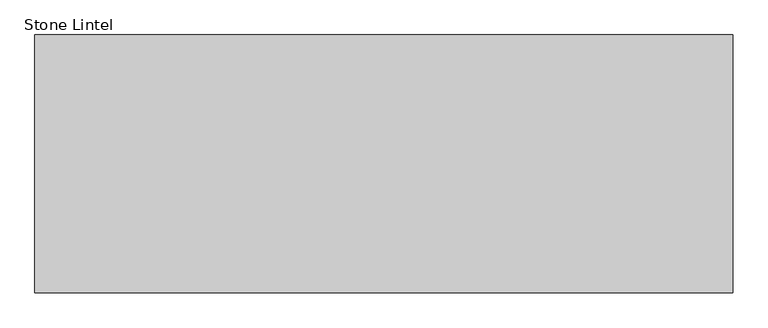
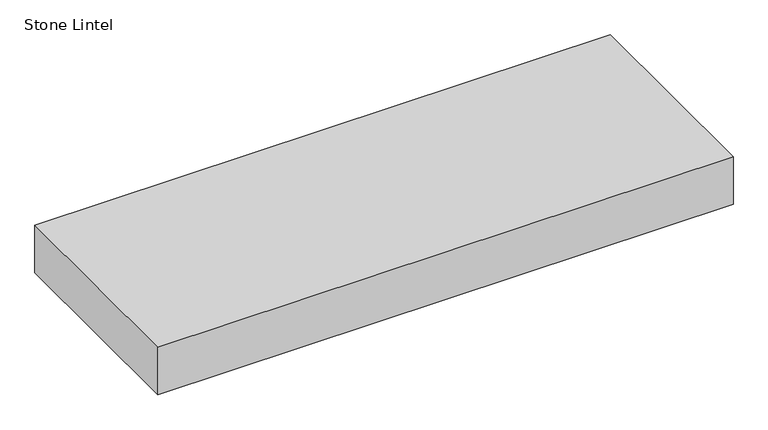
"""IFC4 building model written with IfcOpenShell, lengths in millimetres: proxy geometry, Stone Lintel."""

from ifc_helpers import new_model, si_unit, origin, origin_with_axes, place, context, project, spatial, polyline, outline, extrude, source, transform, mapped, element, save


def stone_lintel_1af6be1e(model_context):
    return source(origin(), model_context, "Body", "SweptSolid", [
        extrude(outline(polyline([(-584.2, -217.4875), (-584.2, 214.3125), (584.2, 214.3125), (584.2, -217.4875), (-584.2, -217.4875)])), origin_with_axes(), (0.0, 0.0, 1.0), 101.6),
    ])


if __name__ == "__main__":
    model = new_model("IFC4")
    model_context = context("Model", 3, world=origin())
    ifc_project = project(units=[si_unit("LENGTHUNIT", "METRE", prefix="MILLI")], contexts=[model_context])
    site = spatial("IfcSite", under=ifc_project)
    building = spatial("IfcBuilding", under=site)
    placement = place(None, origin())
    stone_lintel_shape = stone_lintel_1af6be1e(model_context)
    element("IfcBuildingElementProxy", 1, Name="Stone Lintel", ObjectType="Stone Lintel", at=placement, inside=building, context=model_context, shape_type="MappedRepresentation", body=[
        mapped(stone_lintel_shape, transform((0.0, 0.0, 0.0), x_axis=(1.0, 0.0, 0.0), y_axis=(0.0, 1.0, 0.0), z_axis=(0.0, 0.0, 1.0))),
    ])
    save(model, "model.ifc")
